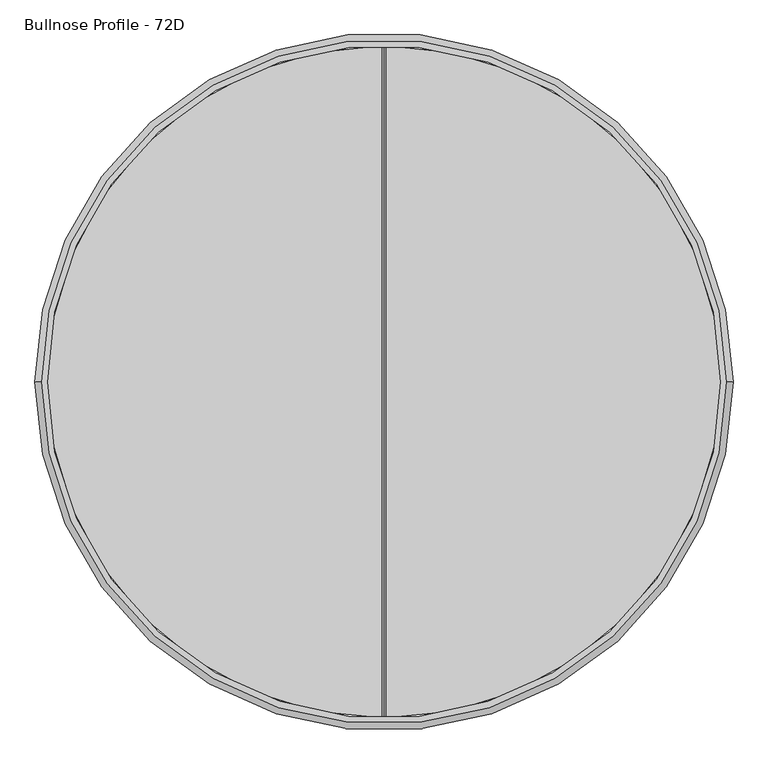
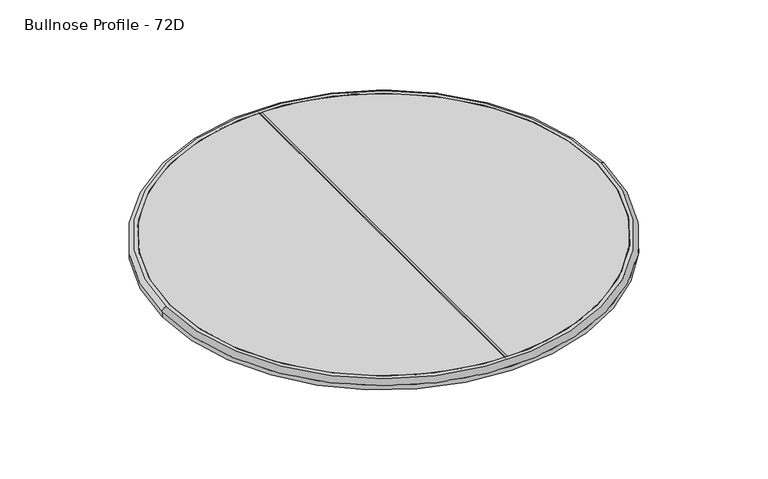
"""IFC4 building model written with IfcOpenShell, lengths in millimetres: furniture geometry, Bullnose Profile - 72D."""

import ifcopenshell
import ifcopenshell.guid

model = None  # the IFC model being written
_history = None  # IfcOwnerHistory: only IFC2X3 demands one
_inside = {}  # id of a spatial element -> (the spatial element, [elements in it])
_under = {}  # id of a project, library or spatial element -> (it, [spatial elements below it])
_declared = {}  # id of a project -> (the project, [libraries it declares])
_typed = {}  # id of a type object -> (the type object, [elements of that type])
_made_of = {}  # id of a material, layer set ... -> (it, [elements and type objects made of it])


def new_model(schema):
    """Start an empty IFC model of exactly this schema.

    Asked for "IFC4X3", IfcOpenShell would pick the latest addendum, in which some entities
    have other attributes; the version numbers below select the first issue.
    IFC2X3 requires an IfcOwnerHistory on every rooted entity: one is made here for all.
    """
    global model, _history
    if schema == "IFC4X3":
        model = ifcopenshell.file(schema_version=(4, 3, 0, 0))
    else:
        model = ifcopenshell.file(schema=schema)
    _inside.clear()
    _under.clear()
    _declared.clear()
    _typed.clear()
    _made_of.clear()
    _history = None
    if model.schema == "IFC2X3":
        org = make("IfcOrganization", Name="unknown")
        user = make(
            "IfcPersonAndOrganization",
            ThePerson=make("IfcPerson", FamilyName="unknown"),
            TheOrganization=org,
        )
        app = make(
            "IfcApplication",
            ApplicationDeveloper=org,
            Version="unknown",
            ApplicationFullName="unknown",
            ApplicationIdentifier="unknown",
        )
        _history = make(
            "IfcOwnerHistory",
            OwningUser=user,
            OwningApplication=app,
            ChangeAction="ADDED",
            CreationDate=0,
        )
    return model


def make(cls, **values):
    """One entity of the class cls with the attributes given. An attribute that is None is left unset."""
    return model.create_entity(
        cls, **{name: value for name, value in values.items() if value is not None}
    )


def rooted(cls, **values):
    """An entity with a GlobalId (a new one), such as an element, a storey or a relation."""
    return make(cls, GlobalId=ifcopenshell.guid.new(), OwnerHistory=_history, **values)


def si_unit(unit_type, name, prefix=None):
    """IfcSIUnit, for example si_unit("LENGTHUNIT", "METRE", prefix="MILLI")."""
    return make("IfcSIUnit", UnitType=unit_type, Prefix=prefix, Name=name)


def assignment(units):
    """IfcUnitAssignment: the units of a project."""
    return None if units is None else make("IfcUnitAssignment", Units=units)


def point(xyz):
    """IfcCartesianPoint."""
    return None if xyz is None else make("IfcCartesianPoint", Coordinates=xyz)


def direction(xyz):
    """IfcDirection."""
    return None if xyz is None else make("IfcDirection", DirectionRatios=xyz)


def frame(location, z_axis=None, x_axis=None):
    """IfcAxis2Placement3D, a coordinate frame: its origin and axes. An axis left out is left unset."""
    return make(
        "IfcAxis2Placement3D",
        Location=point(location),
        Axis=direction(z_axis),
        RefDirection=direction(x_axis),
    )


def origin():
    """The frame at (0, 0, 0) with its axes left unset."""
    return frame((0.0, 0.0, 0.0))


def origin_with_axes():
    """The frame at (0, 0, 0) with the z axis (0, 0, 1) and the x axis (1, 0, 0) written out."""
    return frame((0.0, 0.0, 0.0), z_axis=(0.0, 0.0, 1.0), x_axis=(1.0, 0.0, 0.0))


def place(relative_to, where):
    """IfcLocalPlacement: puts the frame where relative to a parent placement (None: the world)."""
    return make(
        "IfcLocalPlacement", PlacementRelTo=relative_to, RelativePlacement=where
    )


def context(
    kind, dimensions, precision=None, world=None, true_north=None, identifier=None
):
    """IfcGeometricRepresentationContext, for example the 3D "Model" context."""
    return make(
        "IfcGeometricRepresentationContext",
        ContextIdentifier=identifier,
        ContextType=kind,
        CoordinateSpaceDimension=dimensions,
        Precision=precision,
        WorldCoordinateSystem=world,
        TrueNorth=true_north,
    )


def project(units=None, contexts=None):
    """IfcProject with its units and contexts."""
    return rooted(
        "IfcProject",
        Name="project",
        RepresentationContexts=contexts,
        UnitsInContext=assignment(units),
    )


def spatial(cls, under=None, at=None, **own):
    """A site, building, storey or space (cls), placed at a placement, below another one or the project."""
    s = rooted(cls, ObjectPlacement=at, **own)
    if under is not None:
        _under.setdefault(under.id(), (under, []))[1].append(s)
    return s


def polyline(points):
    """IfcPolyline through the points."""
    return make("IfcPolyline", Points=[point(p) for p in points])


def circle_curve(where, radius):
    """IfcCircle in the frame where."""
    return make("IfcCircle", Position=where, Radius=radius)


def ellipse_curve(where, semi_axis1, semi_axis2):
    """IfcEllipse in the frame where."""
    return make(
        "IfcEllipse", Position=where, SemiAxis1=semi_axis1, SemiAxis2=semi_axis2
    )


def trimmed(basis, trim1, trim2, sense, master):
    """IfcTrimmedCurve: the piece of a basis curve between two trims."""
    return make(
        "IfcTrimmedCurve",
        BasisCurve=basis,
        Trim1=trim1,
        Trim2=trim2,
        SenseAgreement=sense,
        MasterRepresentation=master,
    )


def shape(context_of_items, identifier, shape_type, items):
    """IfcShapeRepresentation: the items that make up one representation, for example the "Body"."""
    return make(
        "IfcShapeRepresentation",
        ContextOfItems=context_of_items,
        RepresentationIdentifier=identifier,
        RepresentationType=shape_type,
        Items=items,
    )


def source(mapping_origin, context_of_items, identifier, shape_type, items):
    """IfcRepresentationMap: a shape defined once, which mapped items show again and again."""
    return make(
        "IfcRepresentationMap",
        MappingOrigin=mapping_origin,
        MappedRepresentation=shape(context_of_items, identifier, shape_type, items),
    )


def transform(
    local_origin,
    x_axis=None,
    y_axis=None,
    z_axis=None,
    scale=None,
    scale2=None,
    scale3=None,
    uniform=True,
):
    """IfcCartesianTransformationOperator3D, or its non-uniform kind. x_axis, y_axis, z_axis: its Axis1, 2, 3."""
    if uniform:
        return make(
            "IfcCartesianTransformationOperator3D",
            Axis1=direction(x_axis),
            Axis2=direction(y_axis),
            LocalOrigin=point(local_origin),
            Scale=scale,
            Axis3=direction(z_axis),
        )
    return make(
        "IfcCartesianTransformationOperator3DnonUniform",
        Axis1=direction(x_axis),
        Axis2=direction(y_axis),
        LocalOrigin=point(local_origin),
        Scale=scale,
        Axis3=direction(z_axis),
        Scale2=scale2,
        Scale3=scale3,
    )


def mapped(mapping_source, mapping_target):
    """IfcMappedItem: shows the shape of a source again, moved by a transform."""
    return make(
        "IfcMappedItem", MappingSource=mapping_source, MappingTarget=mapping_target
    )


def made_of(thing, what):
    """Note that an element or type object is made of a material, layer set ...; save() writes the relation."""
    if what is not None:
        _made_of.setdefault(what.id(), (what, []))[1].append(thing)
    return thing


def element(
    cls,
    number,
    at=None,
    inside=None,
    cuts=None,
    type_object=None,
    material=None,
    context=None,
    identifier="Body",
    shape_type=None,
    held_by="IfcProductDefinitionShape",
    body=None,
    shapes=None,
    **own,
):
    """One element of the class cls, such as IfcWall. Its Tag is "e" and its number.

    at: its placement. inside: the storey or other place that contains it. cuts: it is an
    opening in that element (IfcRelVoidsElement). A single representation is given by context,
    identifier, shape_type and body (its items); several are given by shapes. held_by: the class
    of the entity that holds the representations. save() writes the other relations.
    """
    e = rooted(cls, Tag="e%d" % number, ObjectPlacement=at, **own)
    if body is not None:
        shapes = [shape(context, identifier, shape_type, body)]
    if shapes is not None:
        e.Representation = make(held_by, Representations=shapes)
    if inside is not None:
        _inside.setdefault(inside.id(), (inside, []))[1].append(e)
    if cuts is not None:
        rooted(
            "IfcRelVoidsElement", RelatingBuildingElement=cuts, RelatedOpeningElement=e
        )
    if type_object is not None:
        _typed.setdefault(type_object.id(), (type_object, []))[1].append(e)
    return made_of(e, material)


def aggregate(whole, parts):
    """IfcRelAggregates: a whole, such as a stair, and the parts it consists of."""
    return rooted("IfcRelAggregates", RelatingObject=whole, RelatedObjects=parts)


def save(model, path):
    """Write the relations noted so far, then the file.

    IfcRelAggregates (storeys below a building ...), IfcRelContainedInSpatialStructure (elements
    in a storey), IfcRelDefinesByType, IfcRelAssociatesMaterial and IfcRelDeclares: one each for
    every whole, place, type object, material and project.
    """
    for whole, parts in _under.values():
        aggregate(whole, parts)
    for where, things in _inside.values():
        rooted(
            "IfcRelContainedInSpatialStructure",
            RelatedElements=things,
            RelatingStructure=where,
        )
    for kind, things in _typed.values():
        rooted("IfcRelDefinesByType", RelatedObjects=things, RelatingType=kind)
    for what, things in _made_of.values():
        rooted("IfcRelAssociatesMaterial", RelatedObjects=things, RelatingMaterial=what)
    for by, libraries in _declared.values():
        rooted("IfcRelDeclares", RelatingContext=by, RelatedDefinitions=libraries)
    model.write(path)


def plane_surface(at):
    """IfcPlane: the flat surface through the origin of the frame at, square to its z axis."""
    return make("IfcPlane", Position=at)


def cylinder_surface(at, radius):
    """IfcCylindricalSurface: all points at the distance radius from the z axis of the frame at."""
    return make("IfcCylindricalSurface", Position=at, Radius=radius)


def revolved_surface(curve, axis_point, axis_direction):
    """IfcSurfaceOfRevolution: the curve turned about the line through axis_point along axis_direction."""
    return make(
        "IfcSurfaceOfRevolution",
        SweptCurve=make("IfcArbitraryOpenProfileDef", ProfileType="CURVE", Curve=curve),
        AxisPosition=make("IfcAxis1Placement", Location=point(axis_point), Axis=direction(axis_direction)),
    )


def advanced_brep(points, edges, surfaces, faces):
    """IfcAdvancedBrep: a solid bounded by faces that lie on surfaces and meet in shared edges.

    An edge is (start, end): straight between two places in points (the first is 0);
    or (start, end, curve); or (start, end, curve, False) where it runs against its curve.
    A face is (place in surfaces, loops), or (place, loops, False) where it looks against
    its surface's normal. A loop lists edges by number (the first is 1), with a minus sign
    where the edge is run from its end to its start. The first loop is the outer one.
    """
    corners = [point(p) for p in points]
    vertices = [make("IfcVertexPoint", VertexGeometry=c) for c in corners]
    made = []
    for start, end, *more in edges:
        made.append(
            make(
                "IfcEdgeCurve",
                EdgeStart=vertices[start],
                EdgeEnd=vertices[end],
                EdgeGeometry=more[0] if more else make("IfcPolyline", Points=[corners[start], corners[end]]),
                SameSense=more[1] if len(more) > 1 else True,
            )
        )
    hull = []
    for where, loops, *sense in faces:
        bounds = []
        for j, loop in enumerate(loops):
            ring = [make("IfcOrientedEdge", EdgeElement=made[abs(k) - 1], Orientation=k > 0) for k in loop]
            bounds.append(
                make(
                    "IfcFaceOuterBound" if j == 0 else "IfcFaceBound",
                    Bound=make("IfcEdgeLoop", EdgeList=ring),
                    Orientation=True,
                )
            )
        hull.append(make("IfcAdvancedFace", Bounds=bounds, FaceSurface=surfaces[where], SameSense=sense[0] if sense else True))
    return make("IfcAdvancedBrep", Outer=make("IfcClosedShell", CfsFaces=hull))


def bullnose_profile_72d_e29443b0(model_context):
    return source(origin(), model_context, "Body", "AdvancedBrep", [
        advanced_brep(
        [(914.6989504, 0.0, 717.55), (-914.6989504, 0.0, 717.55), (-914.6989504, 0.0, 698.5), (914.6989504, 0.0, 698.5), (898.1593646, 0.0, 736.6), (-898.1593646, 0.0, 736.6), (881.38, 0.0, 698.5), (-881.38, 0.0, 698.5), (-881.38, 0.0, 736.6), (881.38, 0.0, 736.6)],
        [
            (0, 1, circle_curve(frame((0.0, 0.0, 717.55), z_axis=(0.0, 0.0, -1.0), x_axis=(-1.0, 0.0, 0.0)), 914.6989504)),
            (1, 2),
            (2, 3, circle_curve(frame((0.0, 0.0, 698.5), z_axis=(0.0, 0.0, 1.0), x_axis=(-1.0, 0.0, 0.0)), 914.6989504)),
            (3, 0),
            (4, 5, circle_curve(frame((0.0, 0.0, 736.6), z_axis=(0.0, 0.0, -1.0), x_axis=(-1.0, 0.0, 0.0)), 898.1593646)),
            (5, 1, circle_curve(frame((-895.4584324, 0.0, 717.55), z_axis=(0.0, -1.0, 0.0), x_axis=(1.0, 0.0, 0.0)), 19.240518)),
            (0, 4, circle_curve(frame((895.4584324, 0.0, 717.55), z_axis=(0.0, -1.0, 0.0), x_axis=(-1.0, 0.0, 0.0)), 19.240518)),
            (6, 7, circle_curve(frame((0.0, 0.0, 698.5), z_axis=(0.0, 0.0, -1.0), x_axis=(-1.0, 0.0, 0.0)), 881.38)),
            (7, 8),
            (8, 9, circle_curve(frame((0.0, 0.0, 736.6), z_axis=(0.0, 0.0, 1.0), x_axis=(-1.0, 0.0, 0.0)), 881.38)),
            (9, 6),
            (2, 3, circle_curve(frame((0.0, 0.0, 698.5), z_axis=(0.0, 0.0, -1.0), x_axis=(1.0, 0.0, 0.0)), 914.6989504)),
            (6, 7, circle_curve(frame((0.0, 0.0, 698.5), z_axis=(0.0, 0.0, 1.0), x_axis=(1.0, 0.0, 0.0)), 881.38)),
            (1, 0, circle_curve(frame((0.0, 0.0, 717.55), z_axis=(0.0, 0.0, -1.0), x_axis=(1.0, 0.0, 0.0)), 914.6989504)),
            (5, 4, circle_curve(frame((0.0, 0.0, 736.6), z_axis=(0.0, 0.0, -1.0), x_axis=(1.0, 0.0, 0.0)), 898.1593646)),
            (8, 9, circle_curve(frame((0.0, 0.0, 736.6), z_axis=(0.0, 0.0, -1.0), x_axis=(1.0, 0.0, 0.0)), 881.38)),
        ],
        [
            cylinder_surface(frame((0.0, 0.0, 0.0), z_axis=(0.0, 0.0, 1.0), x_axis=(-1.0, 0.0, 0.0)), 914.6989504),
            revolved_surface(trimmed(ellipse_curve(frame((-895.4584324, 0.0, 717.55), z_axis=(0.0, 1.0, 0.0), x_axis=(1.0, 0.0, 0.0)), 19.240518, 19.240518), [point((-914.6989504, 0.0, 717.55))], [point((-898.1593646, 0.0, 736.6))], True, "CARTESIAN"), (0.0, 0.0, 0.0), (0.0, 0.0, 1.0)),
            revolved_surface(polyline([(-881.38, 0.0, 736.6), (-881.38, 0.0, 698.5)]), (0.0, 0.0, 0.0), (0.0, 0.0, 1.0)),
            plane_surface(frame((0.0, 0.0, 698.5), z_axis=(0.0, 0.0, -1.0), x_axis=(1.0, 0.0, 0.0))),
            cylinder_surface(origin_with_axes(), 914.6989504),
            revolved_surface(trimmed(ellipse_curve(frame((895.4584324, 0.0, 717.55), z_axis=(0.0, -1.0, 0.0), x_axis=(-1.0, 0.0, 0.0)), 19.240518, 19.240518), [point((914.6989504, 0.0, 717.55))], [point((898.1593646, 0.0, 736.6))], True, "CARTESIAN"), (0.0, 0.0, 0.0), (0.0, 0.0, 1.0)),
            plane_surface(frame((0.0, 0.0, 736.6), z_axis=(0.0, 0.0, 1.0), x_axis=(1.0, 0.0, 0.0))),
            revolved_surface(polyline([(881.38, 0.0, 736.6), (881.38, 0.0, 698.5)]), (0.0, 0.0, 0.0), (0.0, 0.0, 1.0)),
        ],
        [
            (0, [[1, 2, 3, 4]]),
            (1, [[5, 6, -1, 7]]),
            (2, [[8, 9, 10, 11]]),
            (3, [[12, -3], [13, -8]]),
            (4, [[14, -4, -12, -2]]),
            (5, [[15, -7, -14, -6]]),
            (6, [[-15, -5], [16, -10]]),
            (7, [[-13, -11, -16, -9]]),
        ],
    ),
        advanced_brep(
        [(-881.38, 0.0, 736.6), (-6.1151575, -881.3587858, 736.6), (-6.1151575, 881.3587858, 736.6), (6.1151575, -881.3587858, 736.6), (881.38, 0.0, 736.6), (6.1151575, 881.3587858, 736.6), (-881.38, 0.0, 698.5), (881.38, 0.0, 698.5), (0.0, -881.38, 730.4848425), (0.0, 881.38, 730.4848425)],
        [
            (0, 1, circle_curve(frame((0.0, 0.0, 736.6), z_axis=(0.0, 0.0, 1.0), x_axis=(1.0, 0.0, 0.0)), 881.38)),
            (1, 2),
            (2, 0, circle_curve(frame((0.0, 0.0, 736.6), z_axis=(0.0, 0.0, 1.0), x_axis=(1.0, 0.0, 0.0)), 881.38)),
            (3, 4, circle_curve(frame((0.0, 0.0, 736.6), z_axis=(0.0, 0.0, 1.0), x_axis=(1.0, 0.0, 0.0)), 881.38)),
            (4, 5, circle_curve(frame((0.0, 0.0, 736.6), z_axis=(0.0, 0.0, 1.0), x_axis=(1.0, 0.0, 0.0)), 881.38)),
            (5, 3),
            (6, 7, circle_curve(frame((0.0, 0.0, 698.5), z_axis=(0.0, 0.0, -1.0), x_axis=(1.0, 0.0, 0.0)), 881.38)),
            (7, 6, circle_curve(frame((0.0, 0.0, 698.5), z_axis=(0.0, 0.0, -1.0), x_axis=(1.0, 0.0, 0.0)), 881.38)),
            (7, 4),
            (3, 8, ellipse_curve(frame((0.0, 0.0, 730.4848425), z_axis=(0.7071067811865789, 0.0, -0.7071067811865163), x_axis=(0.7071067811865163, 0.0, 0.7071067811865787)), 1246.4595496, 881.38)),
            (8, 1, ellipse_curve(frame((0.0, 0.0, 730.4848425), z_axis=(-0.7071067811865163, 0.0, -0.7071067811865789), x_axis=(-0.7071067811865789, 0.0, 0.7071067811865162)), 1246.4595496, 881.38)),
            (0, 6),
            (2, 9, ellipse_curve(frame((0.0, 0.0, 730.4848425), z_axis=(-0.7071067811865163, 0.0, -0.7071067811865789), x_axis=(-0.7071067811865789, 0.0, 0.7071067811865162)), 1246.4595496, 881.38)),
            (9, 5, ellipse_curve(frame((0.0, 0.0, 730.4848425), z_axis=(0.7071067811865789, 0.0, -0.7071067811865163), x_axis=(0.7071067811865163, 0.0, 0.7071067811865787)), 1246.4595496, 881.38)),
            (8, 9),
        ],
        [
            plane_surface(frame((881.38, 0.0, 736.6), z_axis=(0.0, 0.0, 1.0), x_axis=(0.0, 1.0, 0.0))),
            plane_surface(frame((881.38, 0.0, 698.5), z_axis=(0.0, 0.0, -1.0), x_axis=(0.0, -1.0, 0.0))),
            cylinder_surface(frame((0.0, 0.0, 698.5), z_axis=(0.0, 0.0, 1.0), x_axis=(1.0, 0.0, 0.0)), 881.38),
            plane_surface(frame((0.0, 966.4151322, 730.4848425), z_axis=(0.7071067811865163, 0.0, 0.7071067811865789), x_axis=(0.0, -1.0, 0.0))),
            plane_surface(frame((6.1151575, 966.4151322, 736.6), z_axis=(-0.7071067811865789, 0.0, 0.7071067811865163), x_axis=(0.0, -1.0, 0.0))),
        ],
        [
            (0, [[1, 2, 3]]),
            (0, [[4, 5, 6]]),
            (1, [[7, 8]]),
            (2, [[-8, 9, -4, 10, 11, -1, 12]]),
            (2, [[-7, -12, -3, 13, 14, -5, -9]]),
            (3, [[15, -13, -2, -11]]),
            (4, [[-15, -10, -6, -14]]),
        ],
    ),
    ])


if __name__ == "__main__":
    model = new_model("IFC4")
    model_context = context("Model", 3, world=origin())
    ifc_project = project(units=[si_unit("LENGTHUNIT", "METRE", prefix="MILLI")], contexts=[model_context])
    site = spatial("IfcSite", under=ifc_project)
    building = spatial("IfcBuilding", under=site)
    placement = place(None, origin())
    bullnose_profile_72d_shape = bullnose_profile_72d_e29443b0(model_context)
    element("IfcFurniture", 1, ObjectType="Bullnose Profile - 72D", at=placement, inside=building, context=model_context, shape_type="MappedRepresentation", body=[
        mapped(bullnose_profile_72d_shape, transform((0.0, 0.0, 0.0), x_axis=(1.0, 0.0, 0.0), y_axis=(0.0, 1.0, 0.0), z_axis=(0.0, 0.0, 1.0))),
    ])
    save(model, "model.ifc")
